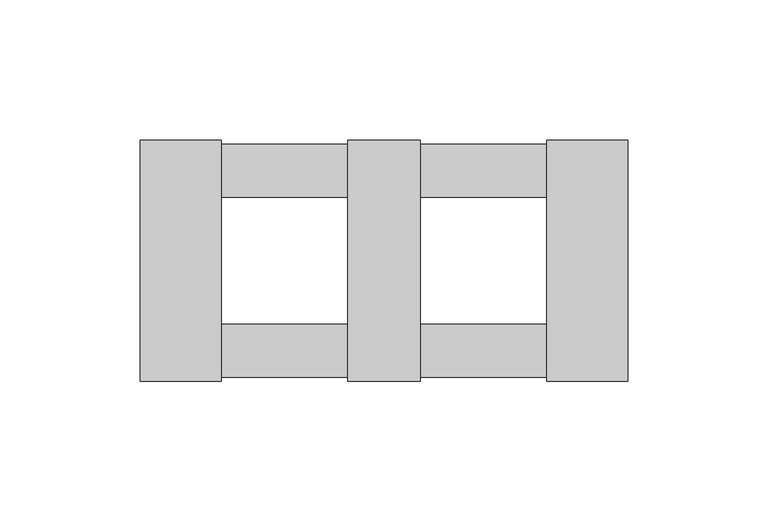
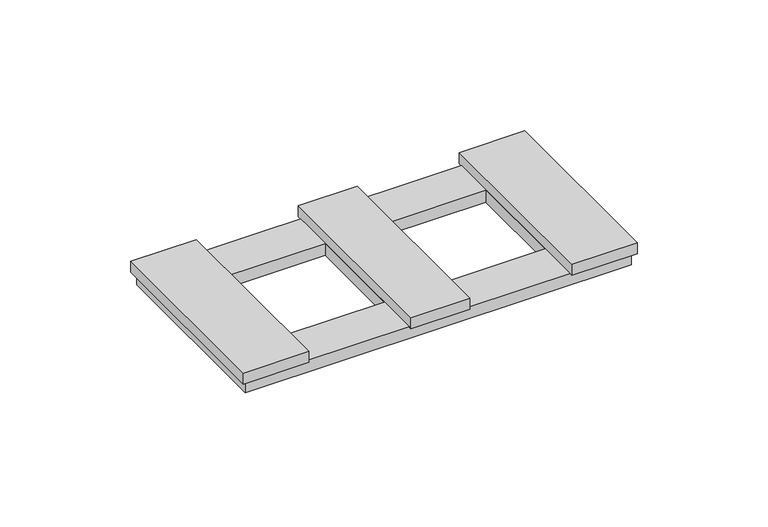
"""IFC4 building model written with IfcOpenShell, lengths in millimetres: proxy geometry."""

from ifc_helpers import new_model, si_unit, frame, origin, origin_with_axes, place, context, project, spatial, polyline, outline, extrude, source, transform, mapped, element, save


def electrical_fixtures_85bca556(model_context):
    return source(origin(), model_context, "Body", "SweptSolid", [
        extrude(outline(polyline([(85.1718172, 41.5), (85.1718172, -41.5), (-85.1718172, -41.5), (-85.1718172, 41.5), (85.1718172, 41.5)]), holes=[polyline([(-13.0, 22.5), (-58.0, 22.5), (-58.0, -22.5), (-13.0, -22.5), (-13.0, 22.5)]), polyline([(13.0, 22.5), (13.0, -22.5), (58.0, -22.5), (58.0, 22.5), (13.0, 22.5)])]), origin_with_axes(), (0.0, 0.0, 1.0), 5.5),
        extrude(outline(polyline([(-86.9, -43.0), (-86.9, 43.0), (-58.0, 43.0), (-58.0, -43.0), (-86.9, -43.0)])), frame((0.0, 0.0, 5.5), z_axis=(0.0, 0.0, 1.0), x_axis=(1.0, 0.0, 0.0)), (0.0, 0.0, 1.0), 5.2),
        extrude(outline(polyline([(-13.0, -43.0), (-13.0, 43.0), (13.0, 43.0), (13.0, -43.0), (-13.0, -43.0)])), frame((0.0, 0.0, 5.5), z_axis=(0.0, 0.0, 1.0), x_axis=(1.0, 0.0, 0.0)), (0.0, 0.0, 1.0), 5.2),
        extrude(outline(polyline([(86.9, -43.0), (58.0, -43.0), (58.0, 43.0), (86.9, 43.0), (86.9, -43.0)])), frame((0.0, 0.0, 5.5), z_axis=(0.0, 0.0, 1.0), x_axis=(1.0, 0.0, 0.0)), (0.0, 0.0, 1.0), 5.2),
    ])


if __name__ == "__main__":
    model = new_model("IFC4")
    model_context = context("Model", 3, world=origin())
    ifc_project = project(units=[si_unit("LENGTHUNIT", "METRE", prefix="MILLI")], contexts=[model_context])
    site = spatial("IfcSite", under=ifc_project)
    building = spatial("IfcBuilding", under=site)
    placement = place(None, origin())
    electrical_fixtures_shape = electrical_fixtures_85bca556(model_context)
    element("IfcBuildingElementProxy", 1, Name="Electrical Fixtures", at=placement, inside=building, context=model_context, shape_type="MappedRepresentation", body=[
        mapped(electrical_fixtures_shape, transform((0.0, 0.0, 0.0), x_axis=(1.0, 0.0, 0.0), y_axis=(0.0, 1.0, 0.0), z_axis=(0.0, 0.0, 1.0))),
    ])
    save(model, "model.ifc")
